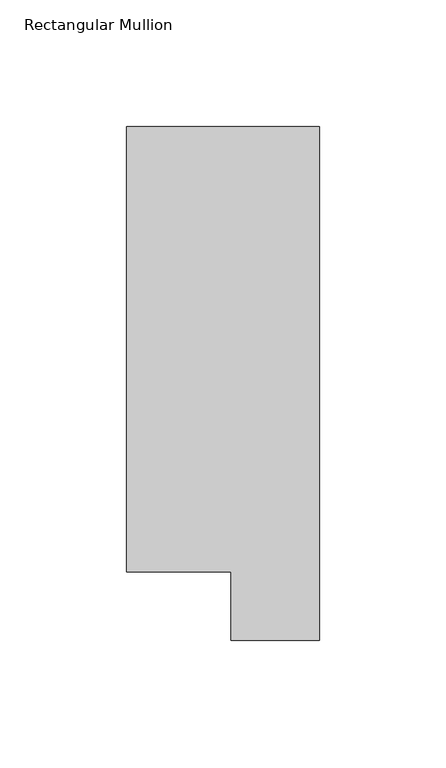
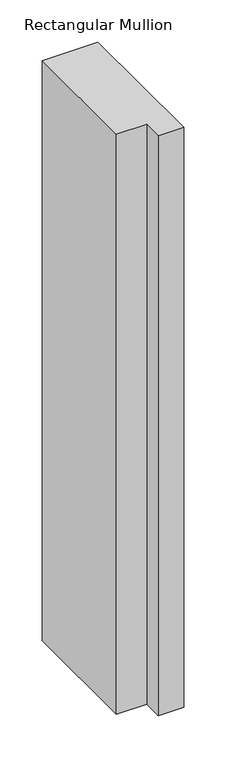
"""IFC4 building model written with IfcOpenShell, lengths in millimetres: member geometry, Rectangular Mullion."""

from ifc_helpers import new_model, si_unit, frame, origin, place, context, project, spatial, polyline, outline, extrude, source, transform, mapped, element, save


def rectangular_mullion_88aa20d1(model_context):
    return source(origin(), model_context, "Body", "SweptSolid", [
        extrude(outline(polyline([(0.0, 222.5381312), (0.0, 19.5667312), (-34.9123, 19.5667312), (-34.9123, 46.7447302), (-76.2, 46.7447302), (-76.2, 222.5381312), (0.0, 222.5381312)])), frame((0.0, 0.0, -838.1999999), z_axis=(0.0, 0.0, 1.0), x_axis=(1.0, 0.0, 0.0)), (0.0, 0.0, 1.0), 838.1999999),
    ])


if __name__ == "__main__":
    model = new_model("IFC4")
    model_context = context("Model", 3, world=origin())
    ifc_project = project(units=[si_unit("LENGTHUNIT", "METRE", prefix="MILLI")], contexts=[model_context])
    site = spatial("IfcSite", under=ifc_project)
    building = spatial("IfcBuilding", under=site)
    placement = place(None, origin())
    rectangular_mullion_shape = rectangular_mullion_88aa20d1(model_context)
    element("IfcMember", 1, ObjectType="Rectangular Mullion", at=placement, inside=building, context=model_context, shape_type="MappedRepresentation", body=[
        mapped(rectangular_mullion_shape, transform((0.0, 0.0, 0.0), x_axis=(1.0, 0.0, 0.0), y_axis=(0.0, 1.0, 0.0), z_axis=(0.0, 0.0, 1.0))),
    ])
    save(model, "model.ifc")
